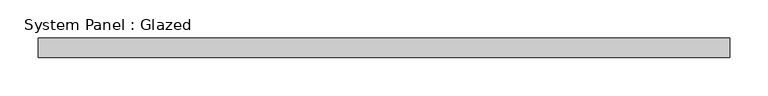
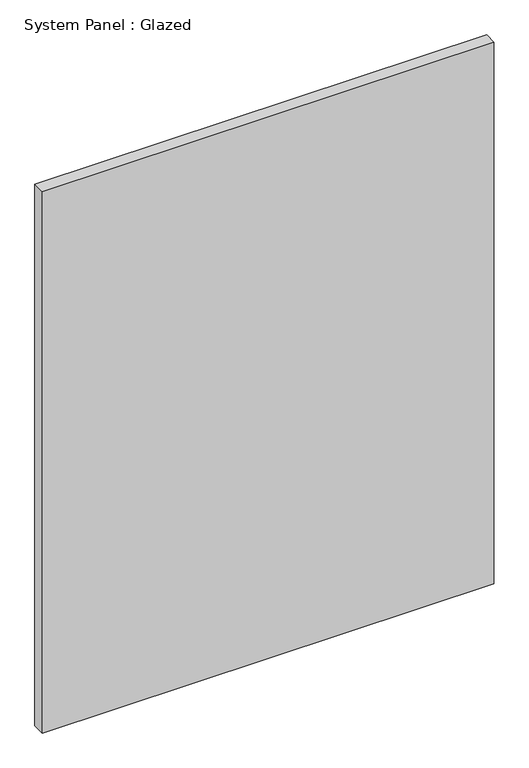
"""IFC4 building model written with IfcOpenShell, lengths in millimetres: plate geometry, System Panel : Glazed."""

from ifc_helpers import new_model, si_unit, origin, origin_with_axes, place, context, project, spatial, polyline, outline, extrude, source, transform, mapped, element, save


def system_panel_glazed_efebb08a(model_context):
    return source(origin(), model_context, "Body", "SweptSolid", [
        extrude(outline(polyline([(451.0147001, -12.7), (-451.0147001, -12.7), (-451.0147001, 12.7), (451.0147001, 12.7), (451.0147001, -12.7)])), origin_with_axes(), (0.0, 0.0, 1.0), 1143.0),
    ])


if __name__ == "__main__":
    model = new_model("IFC4")
    model_context = context("Model", 3, world=origin())
    ifc_project = project(units=[si_unit("LENGTHUNIT", "METRE", prefix="MILLI")], contexts=[model_context])
    site = spatial("IfcSite", under=ifc_project)
    building = spatial("IfcBuilding", under=site)
    placement = place(None, origin())
    system_panel_glazed_shape = system_panel_glazed_efebb08a(model_context)
    element("IfcPlate", 1, ObjectType="System Panel : Glazed", at=placement, inside=building, context=model_context, shape_type="MappedRepresentation", body=[
        mapped(system_panel_glazed_shape, transform((0.0, 0.0, 0.0), x_axis=(1.0, 0.0, 0.0), y_axis=(0.0, 1.0, 0.0), z_axis=(0.0, 0.0, 1.0))),
    ])
    save(model, "model.ifc")
